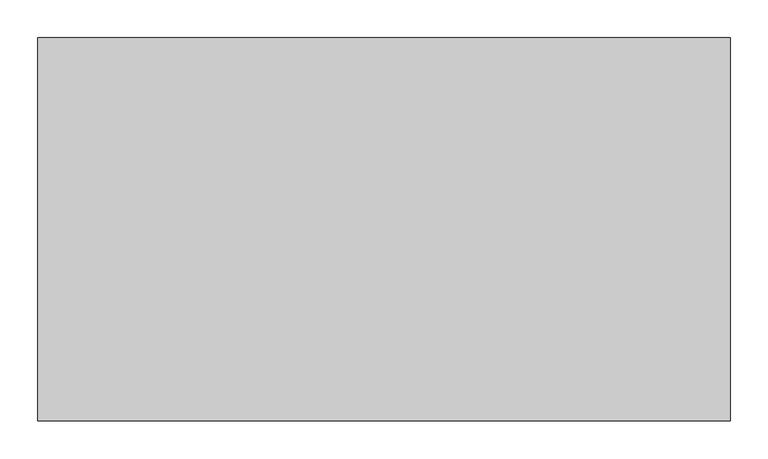
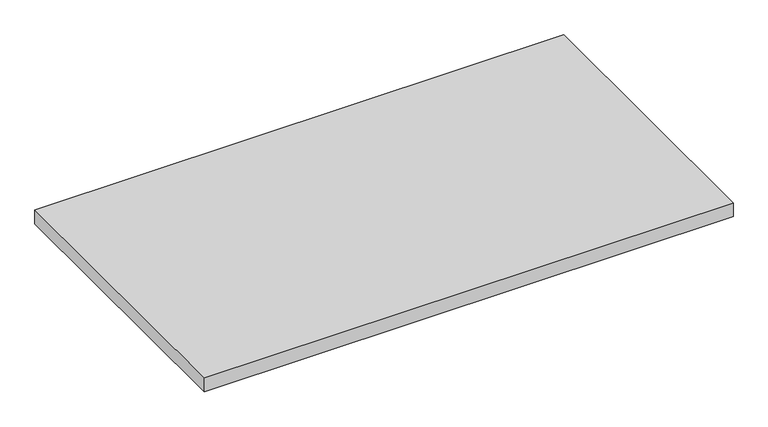
"""IFC4 building model written with IfcOpenShell, lengths in millimetres: furniture geometry."""

from ifc_helpers import new_model, si_unit, frame, origin, place, context, project, spatial, polyline, outline, extrude, source, transform, mapped, element, save


def furniture_84da2b50(model_context):
    return source(origin(), model_context, "Body", "SweptSolid", [
        extrude(outline(polyline([(912.7998, -548.7539634), (912.7998, -1053.7059634), (1.6002, -1053.7059634), (1.6002, -548.7539634), (912.7998, -548.7539634)])), frame((0.0, 0.0, 563.0672), z_axis=(0.0, 0.0, 1.0), x_axis=(1.0, 0.0, 0.0)), (0.0, 0.0, 1.0), 25.4),
    ])


if __name__ == "__main__":
    model = new_model("IFC4")
    model_context = context("Model", 3, world=origin())
    ifc_project = project(units=[si_unit("LENGTHUNIT", "METRE", prefix="MILLI")], contexts=[model_context])
    site = spatial("IfcSite", under=ifc_project)
    building = spatial("IfcBuilding", under=site)
    placement = place(None, origin())
    furniture_shape = furniture_84da2b50(model_context)
    element("IfcFurniture", 1, at=placement, inside=building, context=model_context, shape_type="MappedRepresentation", body=[
        mapped(furniture_shape, transform((0.0, 0.0, 0.0), x_axis=(1.0, 0.0, 0.0), y_axis=(0.0, 1.0, 0.0), z_axis=(0.0, 0.0, 1.0))),
    ])
    save(model, "model.ifc")
